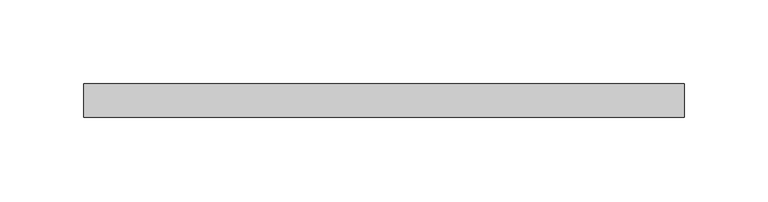
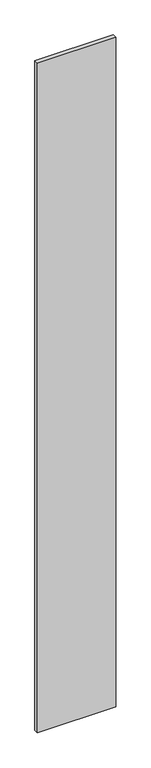
"""IFC4 building model written with IfcOpenShell, lengths in millimetres: plate geometry."""

from ifc_helpers import new_model, si_unit, origin, origin_with_axes, place, context, project, spatial, polyline, outline, extrude, source, transform, mapped, element, save


def plate_6e41a02c(model_context):
    return source(origin(), model_context, "Body", "SweptSolid", [
        extrude(outline(polyline([(179.3763911, -10.0), (-179.3763911, -10.0), (-179.3763911, 10.0), (179.3763911, 10.0), (179.3763911, -10.0)])), origin_with_axes(), (0.0, 0.0, 1.0), 3250.0),
    ])


if __name__ == "__main__":
    model = new_model("IFC4")
    model_context = context("Model", 3, world=origin())
    ifc_project = project(units=[si_unit("LENGTHUNIT", "METRE", prefix="MILLI")], contexts=[model_context])
    site = spatial("IfcSite", under=ifc_project)
    building = spatial("IfcBuilding", under=site)
    placement = place(None, origin())
    plate_shape = plate_6e41a02c(model_context)
    element("IfcPlate", 1, at=placement, inside=building, context=model_context, shape_type="MappedRepresentation", body=[
        mapped(plate_shape, transform((0.0, 0.0, 0.0), x_axis=(1.0, 0.0, 0.0), y_axis=(0.0, 1.0, 0.0), z_axis=(0.0, 0.0, 1.0))),
    ])
    save(model, "model.ifc")
